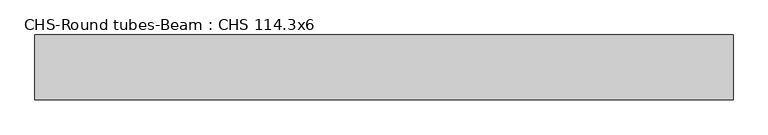
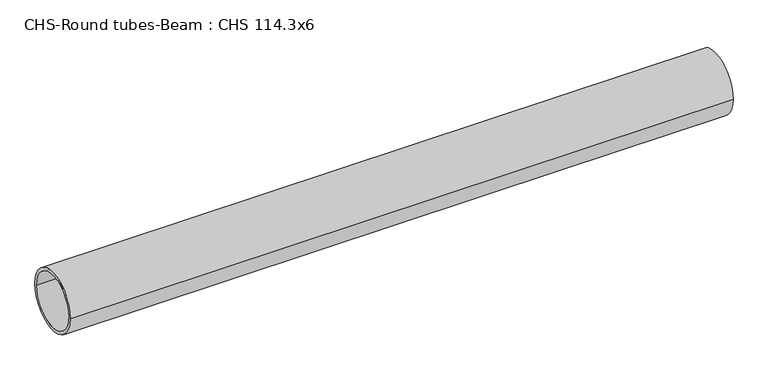
"""IFC4 building model written with IfcOpenShell, lengths in millimetres: beam geometry, CHS-Round tubes-Beam : CHS 114.3x6."""

import ifcopenshell
import ifcopenshell.guid

model = None  # the IFC model being written
_history = None  # IfcOwnerHistory: only IFC2X3 demands one
_inside = {}  # id of a spatial element -> (the spatial element, [elements in it])
_under = {}  # id of a project, library or spatial element -> (it, [spatial elements below it])
_declared = {}  # id of a project -> (the project, [libraries it declares])
_typed = {}  # id of a type object -> (the type object, [elements of that type])
_made_of = {}  # id of a material, layer set ... -> (it, [elements and type objects made of it])


def new_model(schema):
    """Start an empty IFC model of exactly this schema.

    Asked for "IFC4X3", IfcOpenShell would pick the latest addendum, in which some entities
    have other attributes; the version numbers below select the first issue.
    IFC2X3 requires an IfcOwnerHistory on every rooted entity: one is made here for all.
    """
    global model, _history
    if schema == "IFC4X3":
        model = ifcopenshell.file(schema_version=(4, 3, 0, 0))
    else:
        model = ifcopenshell.file(schema=schema)
    _inside.clear()
    _under.clear()
    _declared.clear()
    _typed.clear()
    _made_of.clear()
    _history = None
    if model.schema == "IFC2X3":
        org = make("IfcOrganization", Name="unknown")
        user = make(
            "IfcPersonAndOrganization",
            ThePerson=make("IfcPerson", FamilyName="unknown"),
            TheOrganization=org,
        )
        app = make(
            "IfcApplication",
            ApplicationDeveloper=org,
            Version="unknown",
            ApplicationFullName="unknown",
            ApplicationIdentifier="unknown",
        )
        _history = make(
            "IfcOwnerHistory",
            OwningUser=user,
            OwningApplication=app,
            ChangeAction="ADDED",
            CreationDate=0,
        )
    return model


def make(cls, **values):
    """One entity of the class cls with the attributes given. An attribute that is None is left unset."""
    return model.create_entity(
        cls, **{name: value for name, value in values.items() if value is not None}
    )


def rooted(cls, **values):
    """An entity with a GlobalId (a new one), such as an element, a storey or a relation."""
    return make(cls, GlobalId=ifcopenshell.guid.new(), OwnerHistory=_history, **values)


def si_unit(unit_type, name, prefix=None):
    """IfcSIUnit, for example si_unit("LENGTHUNIT", "METRE", prefix="MILLI")."""
    return make("IfcSIUnit", UnitType=unit_type, Prefix=prefix, Name=name)


def assignment(units):
    """IfcUnitAssignment: the units of a project."""
    return None if units is None else make("IfcUnitAssignment", Units=units)


def point(xyz):
    """IfcCartesianPoint."""
    return None if xyz is None else make("IfcCartesianPoint", Coordinates=xyz)


def direction(xyz):
    """IfcDirection."""
    return None if xyz is None else make("IfcDirection", DirectionRatios=xyz)


def frame(location, z_axis=None, x_axis=None):
    """IfcAxis2Placement3D, a coordinate frame: its origin and axes. An axis left out is left unset."""
    return make(
        "IfcAxis2Placement3D",
        Location=point(location),
        Axis=direction(z_axis),
        RefDirection=direction(x_axis),
    )


def frame_2d(location, x_axis=None):
    """IfcAxis2Placement2D, a coordinate frame in the plane: its origin and x axis."""
    return make(
        "IfcAxis2Placement2D", Location=point(location), RefDirection=direction(x_axis)
    )


def origin():
    """The frame at (0, 0, 0) with its axes left unset."""
    return frame((0.0, 0.0, 0.0))


def origin_2d():
    """The frame at (0, 0) in the plane with its x axis left unset."""
    return frame_2d((0.0, 0.0))


def place(relative_to, where):
    """IfcLocalPlacement: puts the frame where relative to a parent placement (None: the world)."""
    return make(
        "IfcLocalPlacement", PlacementRelTo=relative_to, RelativePlacement=where
    )


def context(
    kind, dimensions, precision=None, world=None, true_north=None, identifier=None
):
    """IfcGeometricRepresentationContext, for example the 3D "Model" context."""
    return make(
        "IfcGeometricRepresentationContext",
        ContextIdentifier=identifier,
        ContextType=kind,
        CoordinateSpaceDimension=dimensions,
        Precision=precision,
        WorldCoordinateSystem=world,
        TrueNorth=true_north,
    )


def project(units=None, contexts=None):
    """IfcProject with its units and contexts."""
    return rooted(
        "IfcProject",
        Name="project",
        RepresentationContexts=contexts,
        UnitsInContext=assignment(units),
    )


def spatial(cls, under=None, at=None, **own):
    """A site, building, storey or space (cls), placed at a placement, below another one or the project."""
    s = rooted(cls, ObjectPlacement=at, **own)
    if under is not None:
        _under.setdefault(under.id(), (under, []))[1].append(s)
    return s


def circle_curve(where, radius):
    """IfcCircle in the frame where."""
    return make("IfcCircle", Position=where, Radius=radius)


def trimmed(basis, trim1, trim2, sense, master):
    """IfcTrimmedCurve: the piece of a basis curve between two trims."""
    return make(
        "IfcTrimmedCurve",
        BasisCurve=basis,
        Trim1=trim1,
        Trim2=trim2,
        SenseAgreement=sense,
        MasterRepresentation=master,
    )


def segment(curve, same_sense, transition):
    """IfcCompositeCurveSegment."""
    return make(
        "IfcCompositeCurveSegment",
        Transition=transition,
        SameSense=same_sense,
        ParentCurve=curve,
    )


def composite_curve(segments, self_intersect=None):
    """IfcCompositeCurve: segments joined end to end."""
    return make("IfcCompositeCurve", Segments=segments, SelfIntersect=self_intersect)


def outline(outer, holes=None, kind="AREA"):
    """IfcArbitraryClosedProfileDef: a profile drawn as a closed curve; with holes, ...WithVoids."""
    if holes is None:
        return make("IfcArbitraryClosedProfileDef", ProfileType=kind, OuterCurve=outer)
    return make(
        "IfcArbitraryProfileDefWithVoids",
        ProfileType=kind,
        OuterCurve=outer,
        InnerCurves=holes,
    )


def extrude(swept, where, along, depth):
    """IfcExtrudedAreaSolid: the profile swept, set in the frame where, extruded along a direction by depth."""
    return make(
        "IfcExtrudedAreaSolid",
        SweptArea=swept,
        Position=where,
        ExtrudedDirection=direction(along),
        Depth=depth,
    )


def shape(context_of_items, identifier, shape_type, items):
    """IfcShapeRepresentation: the items that make up one representation, for example the "Body"."""
    return make(
        "IfcShapeRepresentation",
        ContextOfItems=context_of_items,
        RepresentationIdentifier=identifier,
        RepresentationType=shape_type,
        Items=items,
    )


def source(mapping_origin, context_of_items, identifier, shape_type, items):
    """IfcRepresentationMap: a shape defined once, which mapped items show again and again."""
    return make(
        "IfcRepresentationMap",
        MappingOrigin=mapping_origin,
        MappedRepresentation=shape(context_of_items, identifier, shape_type, items),
    )


def transform(
    local_origin,
    x_axis=None,
    y_axis=None,
    z_axis=None,
    scale=None,
    scale2=None,
    scale3=None,
    uniform=True,
):
    """IfcCartesianTransformationOperator3D, or its non-uniform kind. x_axis, y_axis, z_axis: its Axis1, 2, 3."""
    if uniform:
        return make(
            "IfcCartesianTransformationOperator3D",
            Axis1=direction(x_axis),
            Axis2=direction(y_axis),
            LocalOrigin=point(local_origin),
            Scale=scale,
            Axis3=direction(z_axis),
        )
    return make(
        "IfcCartesianTransformationOperator3DnonUniform",
        Axis1=direction(x_axis),
        Axis2=direction(y_axis),
        LocalOrigin=point(local_origin),
        Scale=scale,
        Axis3=direction(z_axis),
        Scale2=scale2,
        Scale3=scale3,
    )


def mapped(mapping_source, mapping_target):
    """IfcMappedItem: shows the shape of a source again, moved by a transform."""
    return make(
        "IfcMappedItem", MappingSource=mapping_source, MappingTarget=mapping_target
    )


def made_of(thing, what):
    """Note that an element or type object is made of a material, layer set ...; save() writes the relation."""
    if what is not None:
        _made_of.setdefault(what.id(), (what, []))[1].append(thing)
    return thing


def element(
    cls,
    number,
    at=None,
    inside=None,
    cuts=None,
    type_object=None,
    material=None,
    context=None,
    identifier="Body",
    shape_type=None,
    held_by="IfcProductDefinitionShape",
    body=None,
    shapes=None,
    **own,
):
    """One element of the class cls, such as IfcWall. Its Tag is "e" and its number.

    at: its placement. inside: the storey or other place that contains it. cuts: it is an
    opening in that element (IfcRelVoidsElement). A single representation is given by context,
    identifier, shape_type and body (its items); several are given by shapes. held_by: the class
    of the entity that holds the representations. save() writes the other relations.
    """
    e = rooted(cls, Tag="e%d" % number, ObjectPlacement=at, **own)
    if body is not None:
        shapes = [shape(context, identifier, shape_type, body)]
    if shapes is not None:
        e.Representation = make(held_by, Representations=shapes)
    if inside is not None:
        _inside.setdefault(inside.id(), (inside, []))[1].append(e)
    if cuts is not None:
        rooted(
            "IfcRelVoidsElement", RelatingBuildingElement=cuts, RelatedOpeningElement=e
        )
    if type_object is not None:
        _typed.setdefault(type_object.id(), (type_object, []))[1].append(e)
    return made_of(e, material)


def aggregate(whole, parts):
    """IfcRelAggregates: a whole, such as a stair, and the parts it consists of."""
    return rooted("IfcRelAggregates", RelatingObject=whole, RelatedObjects=parts)


def save(model, path):
    """Write the relations noted so far, then the file.

    IfcRelAggregates (storeys below a building ...), IfcRelContainedInSpatialStructure (elements
    in a storey), IfcRelDefinesByType, IfcRelAssociatesMaterial and IfcRelDeclares: one each for
    every whole, place, type object, material and project.
    """
    for whole, parts in _under.values():
        aggregate(whole, parts)
    for where, things in _inside.values():
        rooted(
            "IfcRelContainedInSpatialStructure",
            RelatedElements=things,
            RelatingStructure=where,
        )
    for kind, things in _typed.values():
        rooted("IfcRelDefinesByType", RelatedObjects=things, RelatingType=kind)
    for what, things in _made_of.values():
        rooted("IfcRelAssociatesMaterial", RelatedObjects=things, RelatingMaterial=what)
    for by, libraries in _declared.values():
        rooted("IfcRelDeclares", RelatingContext=by, RelatedDefinitions=libraries)
    model.write(path)


def chs_round_tubes_beam_chs_114_3x6_bd88a40b(model_context):
    return source(origin(), model_context, "Body", "SweptSolid", [
        extrude(outline(composite_curve([segment(trimmed(circle_curve(origin_2d(), 57.15), [point((57.15, 0.0))], [point((-57.15, 0.0))], False, "CARTESIAN"), True, "CONTINUOUS"), segment(trimmed(circle_curve(origin_2d(), 57.15), [point((-57.15, 0.0))], [point((57.15, 0.0))], False, "CARTESIAN"), True, "CONTINUOUS")], self_intersect=False), holes=[composite_curve([segment(trimmed(circle_curve(origin_2d(), 51.15), [point((51.15, 0.0))], [point((-51.15, 0.0))], True, "CARTESIAN"), True, "CONTINUOUS"), segment(trimmed(circle_curve(origin_2d(), 51.15), [point((-51.15, 0.0))], [point((51.15, 0.0))], True, "CARTESIAN"), True, "CONTINUOUS")], self_intersect=False)]), frame((-610.3897544, 0.0, 0.0), z_axis=(1.0, 0.0, 0.0), x_axis=(0.0, 1.0, 0.0)), (0.0, 0.0, 1.0), 1233.4364839),
    ])


if __name__ == "__main__":
    model = new_model("IFC4")
    model_context = context("Model", 3, world=origin())
    ifc_project = project(units=[si_unit("LENGTHUNIT", "METRE", prefix="MILLI")], contexts=[model_context])
    site = spatial("IfcSite", under=ifc_project)
    building = spatial("IfcBuilding", under=site)
    placement = place(None, origin())
    chs_round_tubes_beam_chs_114_3x6_shape = chs_round_tubes_beam_chs_114_3x6_bd88a40b(model_context)
    element("IfcBeam", 1, ObjectType="CHS-Round tubes-Beam : CHS 114.3x6", at=placement, inside=building, context=model_context, shape_type="MappedRepresentation", body=[
        mapped(chs_round_tubes_beam_chs_114_3x6_shape, transform((0.0, 0.0, 0.0), x_axis=(1.0, 0.0, 0.0), y_axis=(0.0, 1.0, 0.0), z_axis=(0.0, 0.0, 1.0))),
    ])
    save(model, "model.ifc")
